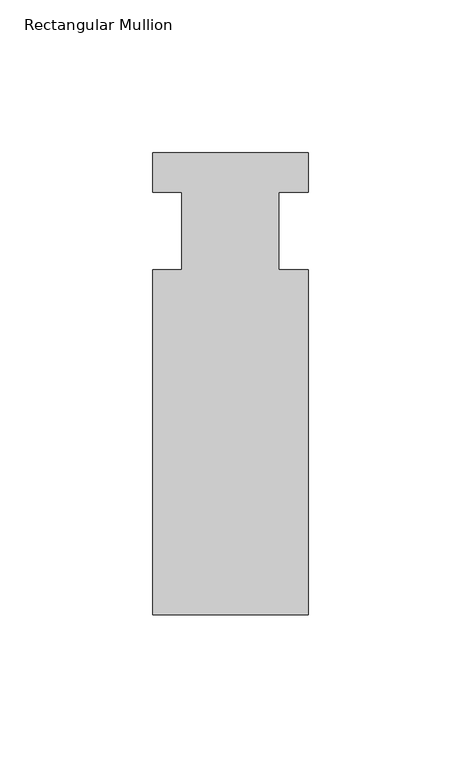
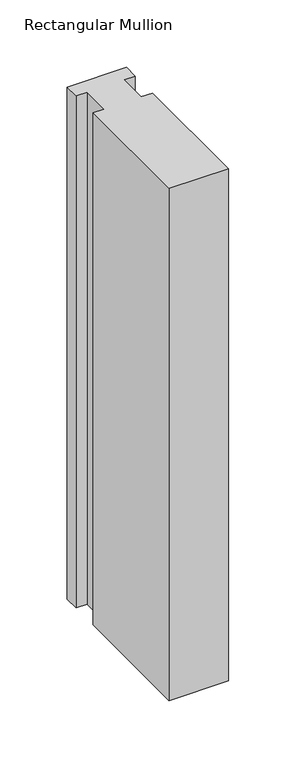
"""IFC4 building model written with IfcOpenShell, lengths in millimetres: member geometry, Rectangular Mullion."""

from ifc_helpers import new_model, si_unit, frame, origin, place, context, project, spatial, polyline, outline, extrude, source, transform, mapped, element, save


def rectangular_mullion_07bb6e9c(model_context):
    return source(origin(), model_context, "Body", "SweptSolid", [
        extrude(outline(polyline([(0.0, 25.5984375), (0.0, 12.7), (-9.525, 12.7), (-9.525, -12.7), (0.0, -12.7), (0.0, -125.6109375), (-50.8, -125.6109375), (-50.8, -12.7), (-41.275, -12.7), (-41.275, 12.7), (-50.8, 12.7), (-50.8, 25.5984375), (0.0, 25.5984375)])), frame((0.0, 0.0, -463.5501993), z_axis=(0.0, 0.0, 1.0), x_axis=(1.0, 0.0, 0.0)), (0.0, 0.0, 1.0), 463.5501993),
    ])


if __name__ == "__main__":
    model = new_model("IFC4")
    model_context = context("Model", 3, world=origin())
    ifc_project = project(units=[si_unit("LENGTHUNIT", "METRE", prefix="MILLI")], contexts=[model_context])
    site = spatial("IfcSite", under=ifc_project)
    building = spatial("IfcBuilding", under=site)
    placement = place(None, origin())
    rectangular_mullion_shape = rectangular_mullion_07bb6e9c(model_context)
    element("IfcMember", 1, ObjectType="Rectangular Mullion", at=placement, inside=building, context=model_context, shape_type="MappedRepresentation", body=[
        mapped(rectangular_mullion_shape, transform((0.0, 0.0, 0.0), x_axis=(1.0, 0.0, 0.0), y_axis=(0.0, 1.0, 0.0), z_axis=(0.0, 0.0, 1.0))),
    ])
    save(model, "model.ifc")
